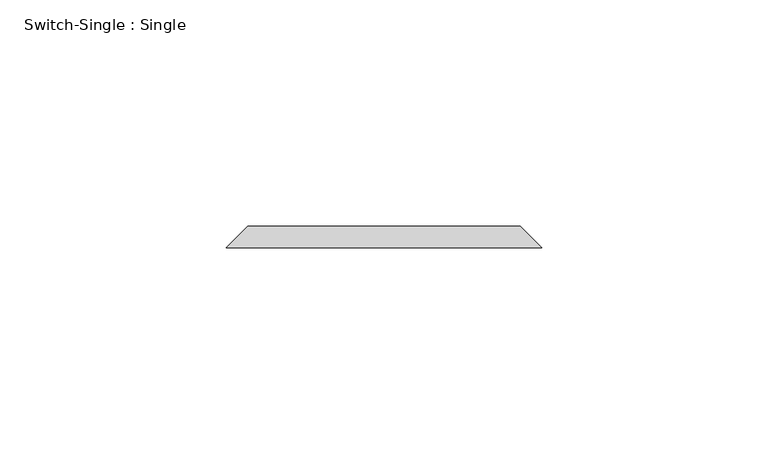
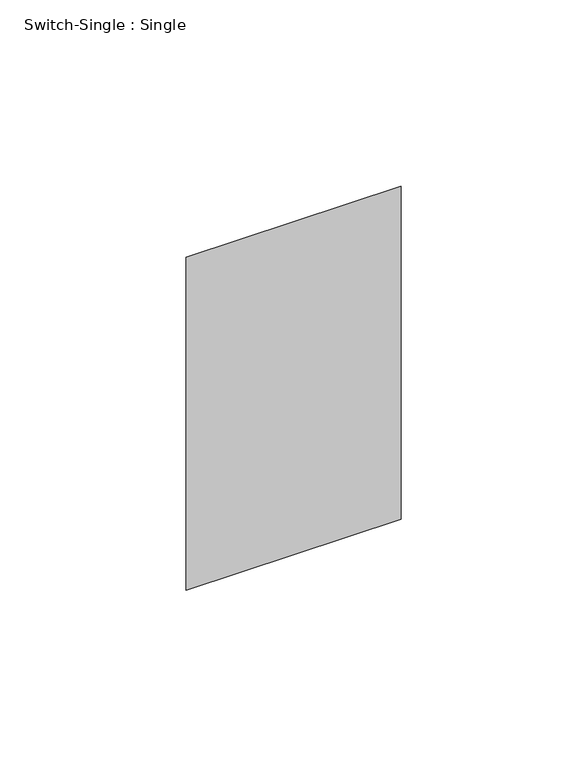
"""IFC4 building model written with IfcOpenShell, lengths in millimetres: proxy geometry, Switch-Single : Single."""

from ifc_helpers import new_model, si_unit, origin, place, context, project, spatial, faceted_brep, source, transform, mapped, element, save


def switch_single_single_54d90dd4(model_context):
    return source(origin(), model_context, "Body", "Brep", [
        faceted_brep([(-30.1625, 115.8875, 1271.5875), (30.1625, 115.8875, 1271.5875), (30.1625, 115.8875, 1166.8125), (-30.1625, 115.8875, 1166.8125), (-34.925, 111.125, 1276.35), (-34.925, 111.125, 1162.05), (34.925, 111.125, 1162.05), (34.925, 111.125, 1276.35)], [[[0, 1, 2, 3]], [[4, 5, 6, 7]], [[4, 7, 1, 0]], [[7, 6, 2, 1]], [[6, 5, 3, 2]], [[5, 4, 0, 3]]]),
    ])


if __name__ == "__main__":
    model = new_model("IFC4")
    model_context = context("Model", 3, world=origin())
    ifc_project = project(units=[si_unit("LENGTHUNIT", "METRE", prefix="MILLI")], contexts=[model_context])
    site = spatial("IfcSite", under=ifc_project)
    building = spatial("IfcBuilding", under=site)
    placement = place(None, origin())
    switch_single_single_shape = switch_single_single_54d90dd4(model_context)
    element("IfcBuildingElementProxy", 1, Name="Switch-Single : Single", ObjectType="Switch-Single : Single", at=placement, inside=building, context=model_context, shape_type="MappedRepresentation", body=[
        mapped(switch_single_single_shape, transform((0.0, 0.0, 0.0), x_axis=(1.0, 0.0, 0.0), y_axis=(0.0, 1.0, 0.0), z_axis=(0.0, 0.0, 1.0))),
    ])
    save(model, "model.ifc")
